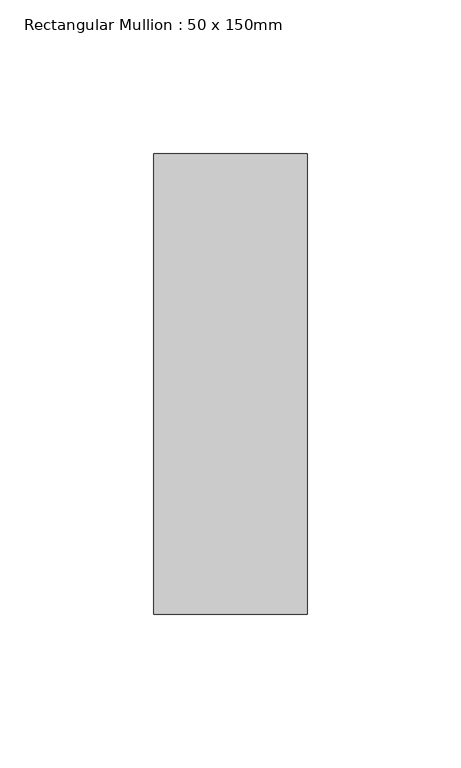
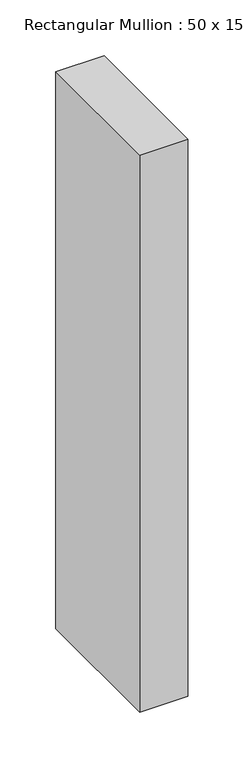
"""IFC4 building model written with IfcOpenShell, lengths in millimetres: member geometry, Rectangular Mullion : 50 x 150mm."""

from ifc_helpers import new_model, si_unit, frame, origin, place, context, project, spatial, polyline, outline, extrude, source, transform, mapped, element, save


def rectangular_mullion_50_x_150mm_16cc5c62(model_context):
    return source(origin(), model_context, "Body", "SweptSolid", [
        extrude(outline(polyline([(0.0, 75.0), (0.0, -75.0), (-50.0, -75.0), (-50.0, 75.0), (0.0, 75.0)])), frame((0.0, 0.0, -609.0), z_axis=(0.0, 0.0, 1.0), x_axis=(1.0, 0.0, 0.0)), (0.0, 0.0, 1.0), 609.0),
    ])


if __name__ == "__main__":
    model = new_model("IFC4")
    model_context = context("Model", 3, world=origin())
    ifc_project = project(units=[si_unit("LENGTHUNIT", "METRE", prefix="MILLI")], contexts=[model_context])
    site = spatial("IfcSite", under=ifc_project)
    building = spatial("IfcBuilding", under=site)
    placement = place(None, origin())
    rectangular_mullion_50_x_150mm_shape = rectangular_mullion_50_x_150mm_16cc5c62(model_context)
    element("IfcMember", 1, ObjectType="Rectangular Mullion : 50 x 150mm", at=placement, inside=building, context=model_context, shape_type="MappedRepresentation", body=[
        mapped(rectangular_mullion_50_x_150mm_shape, transform((0.0, 0.0, 0.0), x_axis=(1.0, 0.0, 0.0), y_axis=(0.0, 1.0, 0.0), z_axis=(0.0, 0.0, 1.0))),
    ])
    save(model, "model.ifc")
